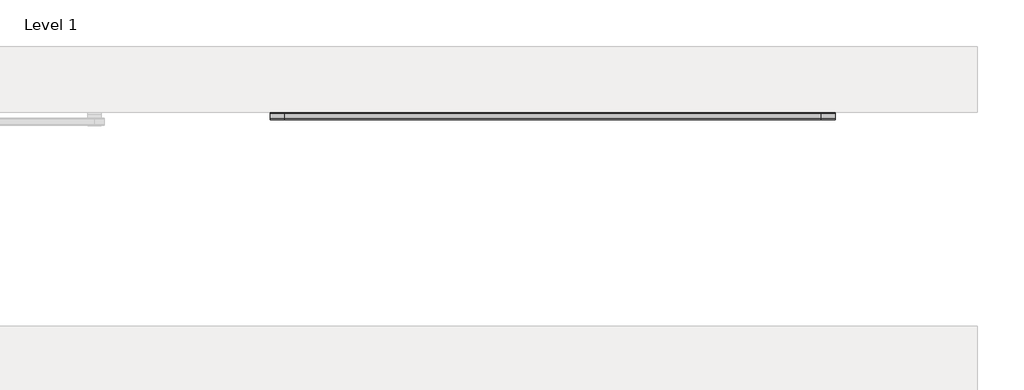
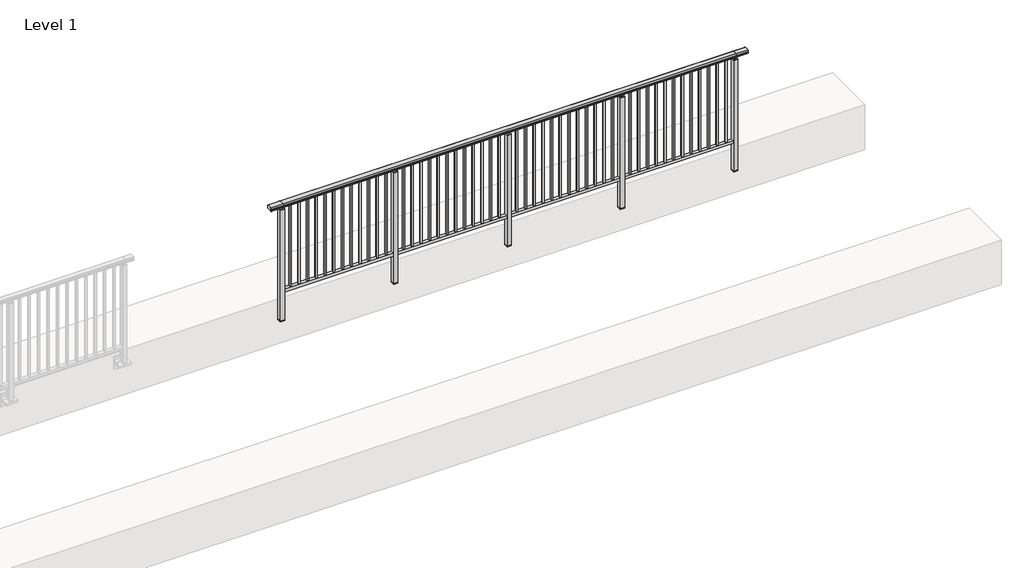
# One storey, part 33 of 64: 1 railing.
"""IFC4 building model written with IfcOpenShell, lengths in millimetres."""

from ifc_helpers import new_model, si_unit, frame, origin, place, context, project, spatial, polyline, circle_curve, outline, extrude, element, save
from ifc_brep_helpers import plane_surface, cylinder_surface, revolved_surface, advanced_brep

model = new_model("IFC4")

# Units and contexts
model_context = context("Model", 3, world=origin())
ifc_project = project(units=[si_unit("LENGTHUNIT", "METRE", prefix="MILLI")], contexts=[model_context])

# Site, building, storey
site = spatial("IfcSite", under=ifc_project)
building = spatial("IfcBuilding", under=site)
storey = spatial("IfcBuildingStorey", under=building, Name="Level 1", Elevation=0.0)

# Railing
placement = place(None, origin())
element("IfcRailing", 1, at=placement, inside=storey, context=model_context, shape_type="SolidModel", body=[
    advanced_brep(
    [(19372.5, 17392.8633756, 1095.6691182), (19372.5, 17397.6846828, 1081.1334092), (19372.5, 17396.7413744, 1069.2539035), (19372.5, 17398.6364177, 1061.4863007), (19372.5, 17396.9894799, 1060.384124), (19372.5, 17396.9894799, 1062.0), (19372.5, 17338.3798858, 1062.0), (19372.5, 17338.3798858, 1060.384124), (19372.5, 17336.732948, 1061.4863007), (19372.5, 17338.6279912, 1069.2539035), (19372.5, 17337.6846828, 1081.1334092), (19372.5, 17342.50599, 1095.6691182), (24427.5, 17392.8633756, 1095.6691182), (24427.5, 17342.50599, 1095.6691182), (24427.5, 17337.6846828, 1081.1334092), (24427.5, 17338.6279912, 1069.2539035), (24427.5, 17336.732948, 1061.4863007), (24427.5, 17338.3798858, 1060.384124), (24427.5, 17338.3798858, 1062.0), (24427.5, 17396.9894799, 1062.0), (24427.5, 17396.9894799, 1060.384124), (24427.5, 17398.6364177, 1061.4863007), (24427.5, 17396.7413744, 1069.2539035), (24427.5, 17397.6846828, 1081.1334092), (19500.0, 17392.8633756, 1095.6691182), (19500.0, 17397.6846828, 1081.1334092), (19500.0, 17396.7413744, 1069.2539035), (19500.0, 17398.6364177, 1061.4863007), (19500.0, 17396.9894799, 1060.384124), (19500.0, 17396.9894799, 1062.0), (19500.0, 17338.3798858, 1062.0), (19500.0, 17338.3798858, 1060.384124), (19500.0, 17336.732948, 1061.4863007), (19500.0, 17338.6279912, 1069.2539035), (19500.0, 17337.6846828, 1081.1334092), (19500.0, 17342.50599, 1095.6691182), (24300.0, 17392.8633756, 1095.6691182), (24300.0, 17397.6846828, 1081.1334092), (24300.0, 17396.7413744, 1069.2539035), (24300.0, 17398.6364177, 1061.4863007), (24300.0, 17396.9894799, 1060.384124), (24300.0, 17396.9894799, 1062.0), (24300.0, 17338.3798858, 1062.0), (24300.0, 17338.3798858, 1060.384124), (24300.0, 17336.732948, 1061.4863007), (24300.0, 17338.6279912, 1069.2539035), (24300.0, 17337.6846828, 1081.1334092), (24300.0, 17342.50599, 1095.6691182)],
    [
        (0, 1, circle_curve(frame((19372.5, 17389.6223845, 1086.526686), z_axis=(-1.0, 0.0, 0.0), x_axis=(0.0, -1.0, 0.0)), 9.6999015)),
        (1, 2, circle_curve(frame((19372.5, 17415.2252545, 1073.7633709), z_axis=(1.0, 0.0, 0.0), x_axis=(0.0, -1.0, 0.0)), 19.0260117)),
        (2, 3),
        (3, 4, circle_curve(frame((19372.5, 17397.7772073, 1060.9886194), z_axis=(-1.0, 0.0, 0.0), x_axis=(0.0, -1.0, 0.0)), 0.9929396)),
        (4, 5),
        (5, 6),
        (6, 7),
        (7, 8, circle_curve(frame((19372.5, 17337.5921584, 1060.9886194), z_axis=(-1.0, 0.0, 0.0), x_axis=(0.0, 1.0, 0.0)), 0.9929396)),
        (8, 9),
        (9, 10, circle_curve(frame((19372.5, 17320.1441111, 1073.7633709), z_axis=(1.0, 0.0, 0.0), x_axis=(0.0, 1.0, 0.0)), 19.0260117)),
        (10, 11, circle_curve(frame((19372.5, 17345.7469812, 1086.526686), z_axis=(-1.0, 0.0, 0.0), x_axis=(0.0, 1.0, 0.0)), 9.6999015)),
        (11, 0, circle_curve(frame((19372.5, 17367.6846828, 1024.6431628), z_axis=(-1.0, 0.0, 0.0), x_axis=(0.0, 1.0, 0.0)), 75.3568372)),
        (12, 13, circle_curve(frame((24427.5, 17367.6846828, 1024.6431628), z_axis=(1.0, 0.0, 0.0), x_axis=(0.0, 1.0, 0.0)), 75.3568372)),
        (13, 14, circle_curve(frame((24427.5, 17345.7469812, 1086.526686), z_axis=(1.0, 0.0, 0.0), x_axis=(0.0, 1.0, 0.0)), 9.6999015)),
        (14, 15, circle_curve(frame((24427.5, 17320.1441111, 1073.7633709), z_axis=(-1.0, 0.0, 0.0), x_axis=(0.0, 1.0, 0.0)), 19.0260117)),
        (15, 16),
        (16, 17, circle_curve(frame((24427.5, 17337.5921584, 1060.9886194), z_axis=(1.0, 0.0, 0.0), x_axis=(0.0, 1.0, 0.0)), 0.9929396)),
        (17, 18),
        (18, 19),
        (19, 20),
        (20, 21, circle_curve(frame((24427.5, 17397.7772073, 1060.9886194), z_axis=(1.0, 0.0, 0.0), x_axis=(0.0, -1.0, 0.0)), 0.9929396)),
        (21, 22),
        (22, 23, circle_curve(frame((24427.5, 17415.2252545, 1073.7633709), z_axis=(-1.0, 0.0, 0.0), x_axis=(0.0, -1.0, 0.0)), 19.0260117)),
        (23, 12, circle_curve(frame((24427.5, 17389.6223845, 1086.526686), z_axis=(1.0, 0.0, 0.0), x_axis=(0.0, -1.0, 0.0)), 9.6999015)),
        (0, 24),
        (24, 25, circle_curve(frame((19500.0, 17389.6223845, 1086.526686), z_axis=(-1.0, 0.0, 0.0), x_axis=(0.0, -1.0, 0.0)), 9.6999015)),
        (25, 1),
        (25, 26, circle_curve(frame((19500.0, 17415.2252545, 1073.7633709), z_axis=(1.0, 0.0, 0.0), x_axis=(0.0, -1.0, 0.0)), 19.0260117)),
        (26, 2),
        (26, 27),
        (27, 3),
        (27, 28, circle_curve(frame((19500.0, 17397.7772073, 1060.9886194), z_axis=(-1.0, 0.0, 0.0), x_axis=(0.0, -1.0, 0.0)), 0.9929396)),
        (28, 4),
        (28, 29),
        (29, 5),
        (29, 30),
        (30, 6),
        (30, 31),
        (31, 7),
        (31, 32, circle_curve(frame((19500.0, 17337.5921584, 1060.9886194), z_axis=(-1.0, 0.0, 0.0), x_axis=(0.0, 1.0, 0.0)), 0.9929396)),
        (32, 8),
        (32, 33),
        (33, 9),
        (33, 34, circle_curve(frame((19500.0, 17320.1441111, 1073.7633709), z_axis=(1.0, 0.0, 0.0), x_axis=(0.0, 1.0, 0.0)), 19.0260117)),
        (34, 10),
        (34, 35, circle_curve(frame((19500.0, 17345.7469812, 1086.526686), z_axis=(-1.0, 0.0, 0.0), x_axis=(0.0, 1.0, 0.0)), 9.6999015)),
        (35, 11),
        (35, 24, circle_curve(frame((19500.0, 17367.6846828, 1024.6431628), z_axis=(-1.0, 0.0, 0.0), x_axis=(0.0, 1.0, 0.0)), 75.3568372)),
        (24, 36),
        (36, 37, circle_curve(frame((24300.0, 17389.6223845, 1086.526686), z_axis=(-1.0, 0.0, 0.0), x_axis=(0.0, -1.0, 0.0)), 9.6999015)),
        (37, 25),
        (37, 38, circle_curve(frame((24300.0, 17415.2252545, 1073.7633709), z_axis=(1.0, 0.0, 0.0), x_axis=(0.0, -1.0, 0.0)), 19.0260117)),
        (38, 26),
        (38, 39),
        (39, 27),
        (39, 40, circle_curve(frame((24300.0, 17397.7772073, 1060.9886194), z_axis=(-1.0, 0.0, 0.0), x_axis=(0.0, -1.0, 0.0)), 0.9929396)),
        (40, 28),
        (40, 41),
        (41, 29),
        (41, 42),
        (42, 30),
        (42, 43),
        (43, 31),
        (43, 44, circle_curve(frame((24300.0, 17337.5921584, 1060.9886194), z_axis=(-1.0, 0.0, 0.0), x_axis=(0.0, 1.0, 0.0)), 0.9929396)),
        (44, 32),
        (44, 45),
        (45, 33),
        (45, 46, circle_curve(frame((24300.0, 17320.1441111, 1073.7633709), z_axis=(1.0, 0.0, 0.0), x_axis=(0.0, 1.0, 0.0)), 19.0260117)),
        (46, 34),
        (46, 47, circle_curve(frame((24300.0, 17345.7469812, 1086.526686), z_axis=(-1.0, 0.0, 0.0), x_axis=(0.0, 1.0, 0.0)), 9.6999015)),
        (47, 35),
        (47, 36, circle_curve(frame((24300.0, 17367.6846828, 1024.6431628), z_axis=(-1.0, 0.0, 0.0), x_axis=(0.0, 1.0, 0.0)), 75.3568372)),
        (36, 12),
        (23, 37),
        (22, 38),
        (21, 39),
        (20, 40),
        (19, 41),
        (18, 42),
        (17, 43),
        (16, 44),
        (15, 45),
        (14, 46),
        (13, 47),
    ],
    [
        plane_surface(frame((19372.5, 17367.6846828, 1100.0), z_axis=(-1.0, 0.0, 0.0), x_axis=(0.0, 1.0, 0.0))),
        plane_surface(frame((24427.5, 17367.6846828, 1100.0), z_axis=(1.0, 0.0, 0.0), x_axis=(0.0, 1.0, 0.0))),
        cylinder_surface(frame((19372.5, 17389.6223845, 1086.526686), z_axis=(-1.0, 0.0, 0.0), x_axis=(0.0, -1.0, 0.0)), 9.6999015),
        revolved_surface(polyline([(19500.0, 17396.1992428, 1073.7633709), (19372.5, 17396.1992428, 1073.7633709)]), (19372.5, 17415.2252545, 1073.7633709), (1.0, 0.0, 0.0)),
        plane_surface(frame((19372.5, 17396.7413744, 1069.2539035), z_axis=(0.0, 0.9715057689301543, 0.2370159086125439), x_axis=(1.0, 0.0, 0.0))),
        cylinder_surface(frame((19372.5, 17397.7772073, 1060.9886194), z_axis=(-1.0, 0.0, 0.0), x_axis=(0.0, -1.0, 0.0)), 0.9929396),
        plane_surface(frame((19372.5, 17396.9894799, 1060.384124), z_axis=(0.0, -1.0, 0.0), x_axis=(1.0, 0.0, 0.0))),
        plane_surface(frame((19372.5, 17396.9894799, 1062.0), z_axis=(0.0, 0.0, -1.0), x_axis=(1.0, 0.0, 0.0))),
        plane_surface(frame((19372.5, 17338.3798858, 1062.0), z_axis=(0.0, 1.0, 0.0), x_axis=(1.0, 0.0, 0.0))),
        cylinder_surface(frame((19372.5, 17337.5921584, 1060.9886194), z_axis=(-1.0, 0.0, 0.0), x_axis=(0.0, 1.0, 0.0)), 0.9929396),
        plane_surface(frame((19372.5, 17336.732948, 1061.4863007), z_axis=(0.0, -0.9715057689301543, 0.2370159086125439), x_axis=(1.0, 0.0, 0.0))),
        revolved_surface(polyline([(19500.0, 17339.1701228, 1073.7633709), (19372.5, 17339.1701228, 1073.7633709)]), (19372.5, 17320.1441111, 1073.7633709), (1.0, 0.0, 0.0)),
        cylinder_surface(frame((19372.5, 17345.7469812, 1086.526686), z_axis=(-1.0, 0.0, 0.0), x_axis=(0.0, 1.0, 0.0)), 9.6999015),
        cylinder_surface(frame((19372.5, 17367.6846828, 1024.6431628), z_axis=(-1.0, 0.0, 0.0), x_axis=(0.0, 1.0, 0.0)), 75.3568372),
        cylinder_surface(frame((19500.0, 17389.6223845, 1086.526686), z_axis=(-1.0, 0.0, 0.0), x_axis=(0.0, -1.0, 0.0)), 9.6999015),
        revolved_surface(polyline([(24300.0, 17396.1992428, 1073.7633709), (19500.0, 17396.1992428, 1073.7633709)]), (19500.0, 17415.2252545, 1073.7633709), (1.0, 0.0, 0.0)),
        plane_surface(frame((19500.0, 17396.7413744, 1069.2539035), z_axis=(0.0, 0.9715057689301543, 0.2370159086125439), x_axis=(1.0, 0.0, 0.0))),
        cylinder_surface(frame((19500.0, 17397.7772073, 1060.9886194), z_axis=(-1.0, 0.0, 0.0), x_axis=(0.0, -1.0, 0.0)), 0.9929396),
        plane_surface(frame((19500.0, 17396.9894799, 1060.384124), z_axis=(0.0, -1.0, 0.0), x_axis=(1.0, 0.0, 0.0))),
        plane_surface(frame((19500.0, 17396.9894799, 1062.0), z_axis=(0.0, 0.0, -1.0), x_axis=(1.0, 0.0, 0.0))),
        plane_surface(frame((19500.0, 17338.3798858, 1062.0), z_axis=(0.0, 1.0, 0.0), x_axis=(1.0, 0.0, 0.0))),
        cylinder_surface(frame((19500.0, 17337.5921584, 1060.9886194), z_axis=(-1.0, 0.0, 0.0), x_axis=(0.0, 1.0, 0.0)), 0.9929396),
        plane_surface(frame((19500.0, 17336.732948, 1061.4863007), z_axis=(0.0, -0.9715057689301543, 0.2370159086125439), x_axis=(1.0, 0.0, 0.0))),
        revolved_surface(polyline([(24300.0, 17339.1701228, 1073.7633709), (19500.0, 17339.1701228, 1073.7633709)]), (19500.0, 17320.1441111, 1073.7633709), (1.0, 0.0, 0.0)),
        cylinder_surface(frame((19500.0, 17345.7469812, 1086.526686), z_axis=(-1.0, 0.0, 0.0), x_axis=(0.0, 1.0, 0.0)), 9.6999015),
        cylinder_surface(frame((19500.0, 17367.6846828, 1024.6431628), z_axis=(-1.0, 0.0, 0.0), x_axis=(0.0, 1.0, 0.0)), 75.3568372),
        cylinder_surface(frame((24300.0, 17389.6223845, 1086.526686), z_axis=(-1.0, 0.0, 0.0), x_axis=(0.0, -1.0, 0.0)), 9.6999015),
        revolved_surface(polyline([(24427.5, 17396.1992428, 1073.7633709), (24300.0, 17396.1992428, 1073.7633709)]), (24300.0, 17415.2252545, 1073.7633709), (1.0, 0.0, 0.0)),
        plane_surface(frame((24300.0, 17396.7413744, 1069.2539035), z_axis=(0.0, 0.9715057689301543, 0.2370159086125439), x_axis=(1.0, 0.0, 0.0))),
        cylinder_surface(frame((24300.0, 17397.7772073, 1060.9886194), z_axis=(-1.0, 0.0, 0.0), x_axis=(0.0, -1.0, 0.0)), 0.9929396),
        plane_surface(frame((24300.0, 17396.9894799, 1060.384124), z_axis=(0.0, -1.0, 0.0), x_axis=(1.0, 0.0, 0.0))),
        plane_surface(frame((24300.0, 17396.9894799, 1062.0), z_axis=(0.0, 0.0, -1.0), x_axis=(1.0, 0.0, 0.0))),
        plane_surface(frame((24300.0, 17338.3798858, 1062.0), z_axis=(0.0, 1.0, 0.0), x_axis=(1.0, 0.0, 0.0))),
        cylinder_surface(frame((24300.0, 17337.5921584, 1060.9886194), z_axis=(-1.0, 0.0, 0.0), x_axis=(0.0, 1.0, 0.0)), 0.9929396),
        plane_surface(frame((24300.0, 17336.732948, 1061.4863007), z_axis=(0.0, -0.9715057689301543, 0.2370159086125439), x_axis=(1.0, 0.0, 0.0))),
        revolved_surface(polyline([(24427.5, 17339.1701228, 1073.7633709), (24300.0, 17339.1701228, 1073.7633709)]), (24300.0, 17320.1441111, 1073.7633709), (1.0, 0.0, 0.0)),
        cylinder_surface(frame((24300.0, 17345.7469812, 1086.526686), z_axis=(-1.0, 0.0, 0.0), x_axis=(0.0, 1.0, 0.0)), 9.6999015),
        cylinder_surface(frame((24300.0, 17367.6846828, 1024.6431628), z_axis=(-1.0, 0.0, 0.0), x_axis=(0.0, 1.0, 0.0)), 75.3568372),
    ],
    [
        (0, [[1, 2, 3, 4, 5, 6, 7, 8, 9, 10, 11, 12]]),
        (1, [[13, 14, 15, 16, 17, 18, 19, 20, 21, 22, 23, 24]]),
        (2, [[-1, 25, 26, 27]]),
        (3, [[-2, -27, 28, 29]]),
        (4, [[-3, -29, 30, 31]]),
        (5, [[-4, -31, 32, 33]]),
        (6, [[-5, -33, 34, 35]]),
        (7, [[-6, -35, 36, 37]]),
        (8, [[-7, -37, 38, 39]]),
        (9, [[-8, -39, 40, 41]]),
        (10, [[-9, -41, 42, 43]]),
        (11, [[-10, -43, 44, 45]]),
        (12, [[-11, -45, 46, 47]]),
        (13, [[-12, -47, 48, -25]]),
        (14, [[-26, 49, 50, 51]]),
        (15, [[-28, -51, 52, 53]]),
        (16, [[-30, -53, 54, 55]]),
        (17, [[-32, -55, 56, 57]]),
        (18, [[-34, -57, 58, 59]]),
        (19, [[-36, -59, 60, 61]]),
        (20, [[-38, -61, 62, 63]]),
        (21, [[-40, -63, 64, 65]]),
        (22, [[-42, -65, 66, 67]]),
        (23, [[-44, -67, 68, 69]]),
        (24, [[-46, -69, 70, 71]]),
        (25, [[-48, -71, 72, -49]]),
        (26, [[-50, 73, -24, 74]]),
        (27, [[-52, -74, -23, 75]]),
        (28, [[-54, -75, -22, 76]]),
        (29, [[-56, -76, -21, 77]]),
        (30, [[-58, -77, -20, 78]]),
        (31, [[-60, -78, -19, 79]]),
        (32, [[-62, -79, -18, 80]]),
        (33, [[-64, -80, -17, 81]]),
        (34, [[-66, -81, -16, 82]]),
        (35, [[-68, -82, -15, 83]]),
        (36, [[-70, -83, -14, 84]]),
        (37, [[-72, -84, -13, -73]]),
    ],
),
    extrude(outline(polyline([(19500.0, 17350.1846828), (19500.0, 17385.1846828), (24300.0, 17385.1846828), (24300.0, 17350.1846828), (19500.0, 17350.1846828)])), frame((0.0, 0.0, 95.0), z_axis=(0.0, 0.0, 1.0), x_axis=(1.0, 0.0, 0.0)), (0.0, 0.0, 1.0), 30.0),
    extrude(outline(polyline([(24216.1923077, 17359.1846828), (24199.1923077, 17359.1846828), (24199.1923077, 17376.1846828), (24216.1923077, 17376.1846828), (24216.1923077, 17359.1846828)])), frame((0.0, 0.0, 125.0), z_axis=(0.0, 0.0, 1.0), x_axis=(1.0, 0.0, 0.0)), (0.0, 0.0, 1.0), 930.0),
    extrude(outline(polyline([(24123.8846154, 17359.1846828), (24106.8846154, 17359.1846828), (24106.8846154, 17376.1846828), (24123.8846154, 17376.1846828), (24123.8846154, 17359.1846828)])), frame((0.0, 0.0, 125.0), z_axis=(0.0, 0.0, 1.0), x_axis=(1.0, 0.0, 0.0)), (0.0, 0.0, 1.0), 930.0),
    extrude(outline(polyline([(24031.5769231, 17359.1846828), (24014.5769231, 17359.1846828), (24014.5769231, 17376.1846828), (24031.5769231, 17376.1846828), (24031.5769231, 17359.1846828)])), frame((0.0, 0.0, 125.0), z_axis=(0.0, 0.0, 1.0), x_axis=(1.0, 0.0, 0.0)), (0.0, 0.0, 1.0), 930.0),
    extrude(outline(polyline([(23939.2692308, 17359.1846828), (23922.2692308, 17359.1846828), (23922.2692308, 17376.1846828), (23939.2692308, 17376.1846828), (23939.2692308, 17359.1846828)])), frame((0.0, 0.0, 125.0), z_axis=(0.0, 0.0, 1.0), x_axis=(1.0, 0.0, 0.0)), (0.0, 0.0, 1.0), 930.0),
    extrude(outline(polyline([(23846.9615385, 17359.1846828), (23829.9615385, 17359.1846828), (23829.9615385, 17376.1846828), (23846.9615385, 17376.1846828), (23846.9615385, 17359.1846828)])), frame((0.0, 0.0, 125.0), z_axis=(0.0, 0.0, 1.0), x_axis=(1.0, 0.0, 0.0)), (0.0, 0.0, 1.0), 930.0),
    extrude(outline(polyline([(23754.6538462, 17359.1846828), (23737.6538462, 17359.1846828), (23737.6538462, 17376.1846828), (23754.6538462, 17376.1846828), (23754.6538462, 17359.1846828)])), frame((0.0, 0.0, 125.0), z_axis=(0.0, 0.0, 1.0), x_axis=(1.0, 0.0, 0.0)), (0.0, 0.0, 1.0), 930.0),
    extrude(outline(polyline([(23662.3461538, 17359.1846828), (23645.3461538, 17359.1846828), (23645.3461538, 17376.1846828), (23662.3461538, 17376.1846828), (23662.3461538, 17359.1846828)])), frame((0.0, 0.0, 125.0), z_axis=(0.0, 0.0, 1.0), x_axis=(1.0, 0.0, 0.0)), (0.0, 0.0, 1.0), 930.0),
    extrude(outline(polyline([(23570.0384615, 17359.1846828), (23553.0384615, 17359.1846828), (23553.0384615, 17376.1846828), (23570.0384615, 17376.1846828), (23570.0384615, 17359.1846828)])), frame((0.0, 0.0, 125.0), z_axis=(0.0, 0.0, 1.0), x_axis=(1.0, 0.0, 0.0)), (0.0, 0.0, 1.0), 930.0),
    extrude(outline(polyline([(23477.7307692, 17359.1846828), (23460.7307692, 17359.1846828), (23460.7307692, 17376.1846828), (23477.7307692, 17376.1846828), (23477.7307692, 17359.1846828)])), frame((0.0, 0.0, 125.0), z_axis=(0.0, 0.0, 1.0), x_axis=(1.0, 0.0, 0.0)), (0.0, 0.0, 1.0), 930.0),
    extrude(outline(polyline([(23385.4230769, 17359.1846828), (23368.4230769, 17359.1846828), (23368.4230769, 17376.1846828), (23385.4230769, 17376.1846828), (23385.4230769, 17359.1846828)])), frame((0.0, 0.0, 125.0), z_axis=(0.0, 0.0, 1.0), x_axis=(1.0, 0.0, 0.0)), (0.0, 0.0, 1.0), 930.0),
    extrude(outline(polyline([(23293.1153846, 17359.1846828), (23276.1153846, 17359.1846828), (23276.1153846, 17376.1846828), (23293.1153846, 17376.1846828), (23293.1153846, 17359.1846828)])), frame((0.0, 0.0, 125.0), z_axis=(0.0, 0.0, 1.0), x_axis=(1.0, 0.0, 0.0)), (0.0, 0.0, 1.0), 930.0),
    extrude(outline(polyline([(23200.8076923, 17359.1846828), (23183.8076923, 17359.1846828), (23183.8076923, 17376.1846828), (23200.8076923, 17376.1846828), (23200.8076923, 17359.1846828)])), frame((0.0, 0.0, 125.0), z_axis=(0.0, 0.0, 1.0), x_axis=(1.0, 0.0, 0.0)), (0.0, 0.0, 1.0), 930.0),
    extrude(outline(polyline([(23122.5, 17390.1846828), (23122.5, 17345.1846828), (23077.5, 17345.1846828), (23077.5, 17390.1846828), (23122.5, 17390.1846828)])), frame((0.0, 0.0, 1027.0), z_axis=(0.0, 0.0, 1.0), x_axis=(1.0, 0.0, 0.0)), (0.0, 0.0, 1.0), 8.0),
    extrude(outline(polyline([(23122.5, 17390.1846828), (23122.5, 17345.1846828), (23077.5, 17345.1846828), (23077.5, 17390.1846828), (23122.5, 17390.1846828)])), frame((0.0, 0.0, -212.0), z_axis=(0.0, 0.0, 1.0), x_axis=(1.0, 0.0, 0.0)), (0.0, 0.0, 1.0), 1239.0),
    extrude(outline(polyline([(23110.0, 17377.6846828), (23110.0, 17357.6846828), (23090.0, 17357.6846828), (23090.0, 17377.6846828), (23110.0, 17377.6846828)])), frame((0.0, 0.0, 1035.0), z_axis=(0.0, 0.0, 1.0), x_axis=(1.0, 0.0, 0.0)), (0.0, 0.0, 1.0), 20.0),
    extrude(outline(polyline([(23122.5, 17390.1846828), (23122.5, 17345.1846828), (23077.5, 17345.1846828), (23077.5, 17390.1846828), (23122.5, 17390.1846828)])), frame((0.0, 0.0, -220.0), z_axis=(0.0, 0.0, 1.0), x_axis=(1.0, 0.0, 0.0)), (0.0, 0.0, 1.0), 8.0),
    extrude(outline(polyline([(23016.1923077, 17359.1846828), (22999.1923077, 17359.1846828), (22999.1923077, 17376.1846828), (23016.1923077, 17376.1846828), (23016.1923077, 17359.1846828)])), frame((0.0, 0.0, 125.0), z_axis=(0.0, 0.0, 1.0), x_axis=(1.0, 0.0, 0.0)), (0.0, 0.0, 1.0), 930.0),
    extrude(outline(polyline([(22923.8846154, 17359.1846828), (22906.8846154, 17359.1846828), (22906.8846154, 17376.1846828), (22923.8846154, 17376.1846828), (22923.8846154, 17359.1846828)])), frame((0.0, 0.0, 125.0), z_axis=(0.0, 0.0, 1.0), x_axis=(1.0, 0.0, 0.0)), (0.0, 0.0, 1.0), 930.0),
    extrude(outline(polyline([(22831.5769231, 17359.1846828), (22814.5769231, 17359.1846828), (22814.5769231, 17376.1846828), (22831.5769231, 17376.1846828), (22831.5769231, 17359.1846828)])), frame((0.0, 0.0, 125.0), z_axis=(0.0, 0.0, 1.0), x_axis=(1.0, 0.0, 0.0)), (0.0, 0.0, 1.0), 930.0),
    extrude(outline(polyline([(22739.2692308, 17359.1846828), (22722.2692308, 17359.1846828), (22722.2692308, 17376.1846828), (22739.2692308, 17376.1846828), (22739.2692308, 17359.1846828)])), frame((0.0, 0.0, 125.0), z_axis=(0.0, 0.0, 1.0), x_axis=(1.0, 0.0, 0.0)), (0.0, 0.0, 1.0), 930.0),
    extrude(outline(polyline([(22646.9615385, 17359.1846828), (22629.9615385, 17359.1846828), (22629.9615385, 17376.1846828), (22646.9615385, 17376.1846828), (22646.9615385, 17359.1846828)])), frame((0.0, 0.0, 125.0), z_axis=(0.0, 0.0, 1.0), x_axis=(1.0, 0.0, 0.0)), (0.0, 0.0, 1.0), 930.0),
    extrude(outline(polyline([(22554.6538462, 17359.1846828), (22537.6538462, 17359.1846828), (22537.6538462, 17376.1846828), (22554.6538462, 17376.1846828), (22554.6538462, 17359.1846828)])), frame((0.0, 0.0, 125.0), z_axis=(0.0, 0.0, 1.0), x_axis=(1.0, 0.0, 0.0)), (0.0, 0.0, 1.0), 930.0),
    extrude(outline(polyline([(22462.3461538, 17359.1846828), (22445.3461538, 17359.1846828), (22445.3461538, 17376.1846828), (22462.3461538, 17376.1846828), (22462.3461538, 17359.1846828)])), frame((0.0, 0.0, 125.0), z_axis=(0.0, 0.0, 1.0), x_axis=(1.0, 0.0, 0.0)), (0.0, 0.0, 1.0), 930.0),
    extrude(outline(polyline([(22370.0384615, 17359.1846828), (22353.0384615, 17359.1846828), (22353.0384615, 17376.1846828), (22370.0384615, 17376.1846828), (22370.0384615, 17359.1846828)])), frame((0.0, 0.0, 125.0), z_axis=(0.0, 0.0, 1.0), x_axis=(1.0, 0.0, 0.0)), (0.0, 0.0, 1.0), 930.0),
    extrude(outline(polyline([(22277.7307692, 17359.1846828), (22260.7307692, 17359.1846828), (22260.7307692, 17376.1846828), (22277.7307692, 17376.1846828), (22277.7307692, 17359.1846828)])), frame((0.0, 0.0, 125.0), z_axis=(0.0, 0.0, 1.0), x_axis=(1.0, 0.0, 0.0)), (0.0, 0.0, 1.0), 930.0),
    extrude(outline(polyline([(22185.4230769, 17359.1846828), (22168.4230769, 17359.1846828), (22168.4230769, 17376.1846828), (22185.4230769, 17376.1846828), (22185.4230769, 17359.1846828)])), frame((0.0, 0.0, 125.0), z_axis=(0.0, 0.0, 1.0), x_axis=(1.0, 0.0, 0.0)), (0.0, 0.0, 1.0), 930.0),
    extrude(outline(polyline([(22093.1153846, 17359.1846828), (22076.1153846, 17359.1846828), (22076.1153846, 17376.1846828), (22093.1153846, 17376.1846828), (22093.1153846, 17359.1846828)])), frame((0.0, 0.0, 125.0), z_axis=(0.0, 0.0, 1.0), x_axis=(1.0, 0.0, 0.0)), (0.0, 0.0, 1.0), 930.0),
    extrude(outline(polyline([(22000.8076923, 17359.1846828), (21983.8076923, 17359.1846828), (21983.8076923, 17376.1846828), (22000.8076923, 17376.1846828), (22000.8076923, 17359.1846828)])), frame((0.0, 0.0, 125.0), z_axis=(0.0, 0.0, 1.0), x_axis=(1.0, 0.0, 0.0)), (0.0, 0.0, 1.0), 930.0),
    extrude(outline(polyline([(21922.5, 17390.1846828), (21922.5, 17345.1846828), (21877.5, 17345.1846828), (21877.5, 17390.1846828), (21922.5, 17390.1846828)])), frame((0.0, 0.0, 1027.0), z_axis=(0.0, 0.0, 1.0), x_axis=(1.0, 0.0, 0.0)), (0.0, 0.0, 1.0), 8.0),
    extrude(outline(polyline([(21922.5, 17390.1846828), (21922.5, 17345.1846828), (21877.5, 17345.1846828), (21877.5, 17390.1846828), (21922.5, 17390.1846828)])), frame((0.0, 0.0, -212.0), z_axis=(0.0, 0.0, 1.0), x_axis=(1.0, 0.0, 0.0)), (0.0, 0.0, 1.0), 1239.0),
    extrude(outline(polyline([(21910.0, 17377.6846828), (21910.0, 17357.6846828), (21890.0, 17357.6846828), (21890.0, 17377.6846828), (21910.0, 17377.6846828)])), frame((0.0, 0.0, 1035.0), z_axis=(0.0, 0.0, 1.0), x_axis=(1.0, 0.0, 0.0)), (0.0, 0.0, 1.0), 20.0),
    extrude(outline(polyline([(21922.5, 17390.1846828), (21922.5, 17345.1846828), (21877.5, 17345.1846828), (21877.5, 17390.1846828), (21922.5, 17390.1846828)])), frame((0.0, 0.0, -220.0), z_axis=(0.0, 0.0, 1.0), x_axis=(1.0, 0.0, 0.0)), (0.0, 0.0, 1.0), 8.0),
    extrude(outline(polyline([(21816.1923077, 17359.1846828), (21799.1923077, 17359.1846828), (21799.1923077, 17376.1846828), (21816.1923077, 17376.1846828), (21816.1923077, 17359.1846828)])), frame((0.0, 0.0, 125.0), z_axis=(0.0, 0.0, 1.0), x_axis=(1.0, 0.0, 0.0)), (0.0, 0.0, 1.0), 930.0),
    extrude(outline(polyline([(21723.8846154, 17359.1846828), (21706.8846154, 17359.1846828), (21706.8846154, 17376.1846828), (21723.8846154, 17376.1846828), (21723.8846154, 17359.1846828)])), frame((0.0, 0.0, 125.0), z_axis=(0.0, 0.0, 1.0), x_axis=(1.0, 0.0, 0.0)), (0.0, 0.0, 1.0), 930.0),
    extrude(outline(polyline([(21631.5769231, 17359.1846828), (21614.5769231, 17359.1846828), (21614.5769231, 17376.1846828), (21631.5769231, 17376.1846828), (21631.5769231, 17359.1846828)])), frame((0.0, 0.0, 125.0), z_axis=(0.0, 0.0, 1.0), x_axis=(1.0, 0.0, 0.0)), (0.0, 0.0, 1.0), 930.0),
    extrude(outline(polyline([(21539.2692308, 17359.1846828), (21522.2692308, 17359.1846828), (21522.2692308, 17376.1846828), (21539.2692308, 17376.1846828), (21539.2692308, 17359.1846828)])), frame((0.0, 0.0, 125.0), z_axis=(0.0, 0.0, 1.0), x_axis=(1.0, 0.0, 0.0)), (0.0, 0.0, 1.0), 930.0),
    extrude(outline(polyline([(21446.9615385, 17359.1846828), (21429.9615385, 17359.1846828), (21429.9615385, 17376.1846828), (21446.9615385, 17376.1846828), (21446.9615385, 17359.1846828)])), frame((0.0, 0.0, 125.0), z_axis=(0.0, 0.0, 1.0), x_axis=(1.0, 0.0, 0.0)), (0.0, 0.0, 1.0), 930.0),
    extrude(outline(polyline([(21354.6538462, 17359.1846828), (21337.6538462, 17359.1846828), (21337.6538462, 17376.1846828), (21354.6538462, 17376.1846828), (21354.6538462, 17359.1846828)])), frame((0.0, 0.0, 125.0), z_axis=(0.0, 0.0, 1.0), x_axis=(1.0, 0.0, 0.0)), (0.0, 0.0, 1.0), 930.0),
    extrude(outline(polyline([(21262.3461538, 17359.1846828), (21245.3461538, 17359.1846828), (21245.3461538, 17376.1846828), (21262.3461538, 17376.1846828), (21262.3461538, 17359.1846828)])), frame((0.0, 0.0, 125.0), z_axis=(0.0, 0.0, 1.0), x_axis=(1.0, 0.0, 0.0)), (0.0, 0.0, 1.0), 930.0),
    extrude(outline(polyline([(21170.0384615, 17359.1846828), (21153.0384615, 17359.1846828), (21153.0384615, 17376.1846828), (21170.0384615, 17376.1846828), (21170.0384615, 17359.1846828)])), frame((0.0, 0.0, 125.0), z_axis=(0.0, 0.0, 1.0), x_axis=(1.0, 0.0, 0.0)), (0.0, 0.0, 1.0), 930.0),
    extrude(outline(polyline([(21077.7307692, 17359.1846828), (21060.7307692, 17359.1846828), (21060.7307692, 17376.1846828), (21077.7307692, 17376.1846828), (21077.7307692, 17359.1846828)])), frame((0.0, 0.0, 125.0), z_axis=(0.0, 0.0, 1.0), x_axis=(1.0, 0.0, 0.0)), (0.0, 0.0, 1.0), 930.0),
    extrude(outline(polyline([(20985.4230769, 17359.1846828), (20968.4230769, 17359.1846828), (20968.4230769, 17376.1846828), (20985.4230769, 17376.1846828), (20985.4230769, 17359.1846828)])), frame((0.0, 0.0, 125.0), z_axis=(0.0, 0.0, 1.0), x_axis=(1.0, 0.0, 0.0)), (0.0, 0.0, 1.0), 930.0),
    extrude(outline(polyline([(20893.1153846, 17359.1846828), (20876.1153846, 17359.1846828), (20876.1153846, 17376.1846828), (20893.1153846, 17376.1846828), (20893.1153846, 17359.1846828)])), frame((0.0, 0.0, 125.0), z_axis=(0.0, 0.0, 1.0), x_axis=(1.0, 0.0, 0.0)), (0.0, 0.0, 1.0), 930.0),
    extrude(outline(polyline([(20800.8076923, 17359.1846828), (20783.8076923, 17359.1846828), (20783.8076923, 17376.1846828), (20800.8076923, 17376.1846828), (20800.8076923, 17359.1846828)])), frame((0.0, 0.0, 125.0), z_axis=(0.0, 0.0, 1.0), x_axis=(1.0, 0.0, 0.0)), (0.0, 0.0, 1.0), 930.0),
    extrude(outline(polyline([(20722.5, 17390.1846828), (20722.5, 17345.1846828), (20677.5, 17345.1846828), (20677.5, 17390.1846828), (20722.5, 17390.1846828)])), frame((0.0, 0.0, 1027.0), z_axis=(0.0, 0.0, 1.0), x_axis=(1.0, 0.0, 0.0)), (0.0, 0.0, 1.0), 8.0),
    extrude(outline(polyline([(20722.5, 17390.1846828), (20722.5, 17345.1846828), (20677.5, 17345.1846828), (20677.5, 17390.1846828), (20722.5, 17390.1846828)])), frame((0.0, 0.0, -212.0), z_axis=(0.0, 0.0, 1.0), x_axis=(1.0, 0.0, 0.0)), (0.0, 0.0, 1.0), 1239.0),
    extrude(outline(polyline([(20710.0, 17377.6846828), (20710.0, 17357.6846828), (20690.0, 17357.6846828), (20690.0, 17377.6846828), (20710.0, 17377.6846828)])), frame((0.0, 0.0, 1035.0), z_axis=(0.0, 0.0, 1.0), x_axis=(1.0, 0.0, 0.0)), (0.0, 0.0, 1.0), 20.0),
    extrude(outline(polyline([(20722.5, 17390.1846828), (20722.5, 17345.1846828), (20677.5, 17345.1846828), (20677.5, 17390.1846828), (20722.5, 17390.1846828)])), frame((0.0, 0.0, -220.0), z_axis=(0.0, 0.0, 1.0), x_axis=(1.0, 0.0, 0.0)), (0.0, 0.0, 1.0), 8.0),
    extrude(outline(polyline([(20616.1923077, 17359.1846828), (20599.1923077, 17359.1846828), (20599.1923077, 17376.1846828), (20616.1923077, 17376.1846828), (20616.1923077, 17359.1846828)])), frame((0.0, 0.0, 125.0), z_axis=(0.0, 0.0, 1.0), x_axis=(1.0, 0.0, 0.0)), (0.0, 0.0, 1.0), 930.0),
    extrude(outline(polyline([(20523.8846154, 17359.1846828), (20506.8846154, 17359.1846828), (20506.8846154, 17376.1846828), (20523.8846154, 17376.1846828), (20523.8846154, 17359.1846828)])), frame((0.0, 0.0, 125.0), z_axis=(0.0, 0.0, 1.0), x_axis=(1.0, 0.0, 0.0)), (0.0, 0.0, 1.0), 930.0),
    extrude(outline(polyline([(20431.5769231, 17359.1846828), (20414.5769231, 17359.1846828), (20414.5769231, 17376.1846828), (20431.5769231, 17376.1846828), (20431.5769231, 17359.1846828)])), frame((0.0, 0.0, 125.0), z_axis=(0.0, 0.0, 1.0), x_axis=(1.0, 0.0, 0.0)), (0.0, 0.0, 1.0), 930.0),
    extrude(outline(polyline([(20339.2692308, 17359.1846828), (20322.2692308, 17359.1846828), (20322.2692308, 17376.1846828), (20339.2692308, 17376.1846828), (20339.2692308, 17359.1846828)])), frame((0.0, 0.0, 125.0), z_axis=(0.0, 0.0, 1.0), x_axis=(1.0, 0.0, 0.0)), (0.0, 0.0, 1.0), 930.0),
    extrude(outline(polyline([(20246.9615385, 17359.1846828), (20229.9615385, 17359.1846828), (20229.9615385, 17376.1846828), (20246.9615385, 17376.1846828), (20246.9615385, 17359.1846828)])), frame((0.0, 0.0, 125.0), z_axis=(0.0, 0.0, 1.0), x_axis=(1.0, 0.0, 0.0)), (0.0, 0.0, 1.0), 930.0),
    extrude(outline(polyline([(20154.6538462, 17359.1846828), (20137.6538462, 17359.1846828), (20137.6538462, 17376.1846828), (20154.6538462, 17376.1846828), (20154.6538462, 17359.1846828)])), frame((0.0, 0.0, 125.0), z_axis=(0.0, 0.0, 1.0), x_axis=(1.0, 0.0, 0.0)), (0.0, 0.0, 1.0), 930.0),
    extrude(outline(polyline([(20062.3461538, 17359.1846828), (20045.3461538, 17359.1846828), (20045.3461538, 17376.1846828), (20062.3461538, 17376.1846828), (20062.3461538, 17359.1846828)])), frame((0.0, 0.0, 125.0), z_axis=(0.0, 0.0, 1.0), x_axis=(1.0, 0.0, 0.0)), (0.0, 0.0, 1.0), 930.0),
    extrude(outline(polyline([(19970.0384615, 17359.1846828), (19953.0384615, 17359.1846828), (19953.0384615, 17376.1846828), (19970.0384615, 17376.1846828), (19970.0384615, 17359.1846828)])), frame((0.0, 0.0, 125.0), z_axis=(0.0, 0.0, 1.0), x_axis=(1.0, 0.0, 0.0)), (0.0, 0.0, 1.0), 930.0),
    extrude(outline(polyline([(19877.7307692, 17359.1846828), (19860.7307692, 17359.1846828), (19860.7307692, 17376.1846828), (19877.7307692, 17376.1846828), (19877.7307692, 17359.1846828)])), frame((0.0, 0.0, 125.0), z_axis=(0.0, 0.0, 1.0), x_axis=(1.0, 0.0, 0.0)), (0.0, 0.0, 1.0), 930.0),
    extrude(outline(polyline([(19785.4230769, 17359.1846828), (19768.4230769, 17359.1846828), (19768.4230769, 17376.1846828), (19785.4230769, 17376.1846828), (19785.4230769, 17359.1846828)])), frame((0.0, 0.0, 125.0), z_axis=(0.0, 0.0, 1.0), x_axis=(1.0, 0.0, 0.0)), (0.0, 0.0, 1.0), 930.0),
    extrude(outline(polyline([(19693.1153846, 17359.1846828), (19676.1153846, 17359.1846828), (19676.1153846, 17376.1846828), (19693.1153846, 17376.1846828), (19693.1153846, 17359.1846828)])), frame((0.0, 0.0, 125.0), z_axis=(0.0, 0.0, 1.0), x_axis=(1.0, 0.0, 0.0)), (0.0, 0.0, 1.0), 930.0),
    extrude(outline(polyline([(19600.8076923, 17359.1846828), (19583.8076923, 17359.1846828), (19583.8076923, 17376.1846828), (19600.8076923, 17376.1846828), (19600.8076923, 17359.1846828)])), frame((0.0, 0.0, 125.0), z_axis=(0.0, 0.0, 1.0), x_axis=(1.0, 0.0, 0.0)), (0.0, 0.0, 1.0), 930.0),
    extrude(outline(polyline([(24322.5, 17390.1846828), (24322.5, 17345.1846828), (24277.5, 17345.1846828), (24277.5, 17390.1846828), (24322.5, 17390.1846828)])), frame((0.0, 0.0, 1027.0), z_axis=(0.0, 0.0, 1.0), x_axis=(1.0, 0.0, 0.0)), (0.0, 0.0, 1.0), 8.0),
    extrude(outline(polyline([(24322.5, 17390.1846828), (24322.5, 17345.1846828), (24277.5, 17345.1846828), (24277.5, 17390.1846828), (24322.5, 17390.1846828)])), frame((0.0, 0.0, -212.0), z_axis=(0.0, 0.0, 1.0), x_axis=(1.0, 0.0, 0.0)), (0.0, 0.0, 1.0), 1239.0),
    extrude(outline(polyline([(24310.0, 17377.6846828), (24310.0, 17357.6846828), (24290.0, 17357.6846828), (24290.0, 17377.6846828), (24310.0, 17377.6846828)])), frame((0.0, 0.0, 1035.0), z_axis=(0.0, 0.0, 1.0), x_axis=(1.0, 0.0, 0.0)), (0.0, 0.0, 1.0), 20.0),
    extrude(outline(polyline([(24322.5, 17390.1846828), (24322.5, 17345.1846828), (24277.5, 17345.1846828), (24277.5, 17390.1846828), (24322.5, 17390.1846828)])), frame((0.0, 0.0, -220.0), z_axis=(0.0, 0.0, 1.0), x_axis=(1.0, 0.0, 0.0)), (0.0, 0.0, 1.0), 8.0),
    extrude(outline(polyline([(19522.5, 17390.1846828), (19522.5, 17345.1846828), (19477.5, 17345.1846828), (19477.5, 17390.1846828), (19522.5, 17390.1846828)])), frame((0.0, 0.0, 1027.0), z_axis=(0.0, 0.0, 1.0), x_axis=(1.0, 0.0, 0.0)), (0.0, 0.0, 1.0), 8.0),
    extrude(outline(polyline([(19522.5, 17390.1846828), (19522.5, 17345.1846828), (19477.5, 17345.1846828), (19477.5, 17390.1846828), (19522.5, 17390.1846828)])), frame((0.0, 0.0, -212.0), z_axis=(0.0, 0.0, 1.0), x_axis=(1.0, 0.0, 0.0)), (0.0, 0.0, 1.0), 1239.0),
    extrude(outline(polyline([(19510.0, 17377.6846828), (19510.0, 17357.6846828), (19490.0, 17357.6846828), (19490.0, 17377.6846828), (19510.0, 17377.6846828)])), frame((0.0, 0.0, 1035.0), z_axis=(0.0, 0.0, 1.0), x_axis=(1.0, 0.0, 0.0)), (0.0, 0.0, 1.0), 20.0),
    extrude(outline(polyline([(19522.5, 17390.1846828), (19522.5, 17345.1846828), (19477.5, 17345.1846828), (19477.5, 17390.1846828), (19522.5, 17390.1846828)])), frame((0.0, 0.0, -220.0), z_axis=(0.0, 0.0, 1.0), x_axis=(1.0, 0.0, 0.0)), (0.0, 0.0, 1.0), 8.0),
])

save(model, "model.ifc")
